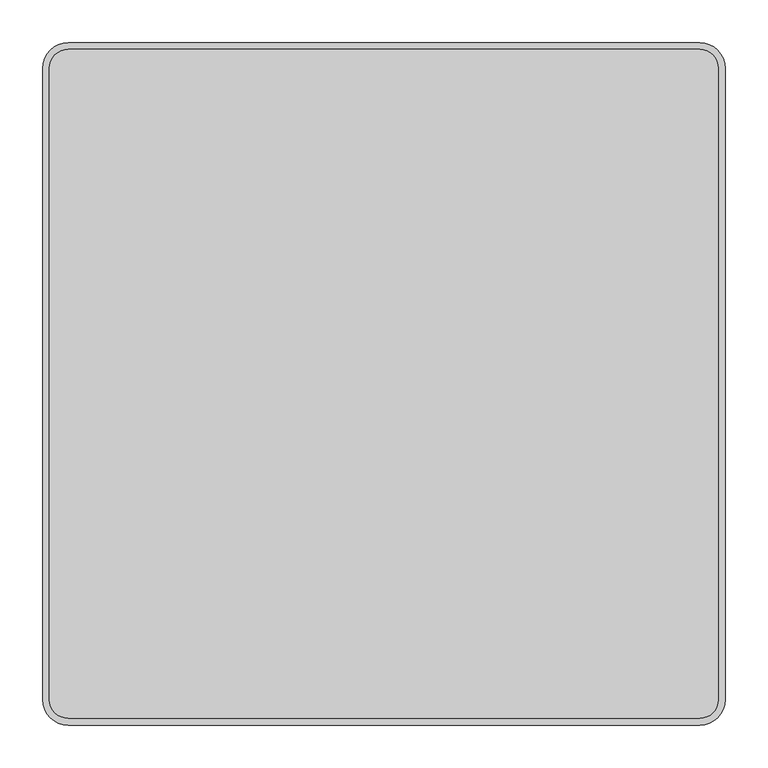
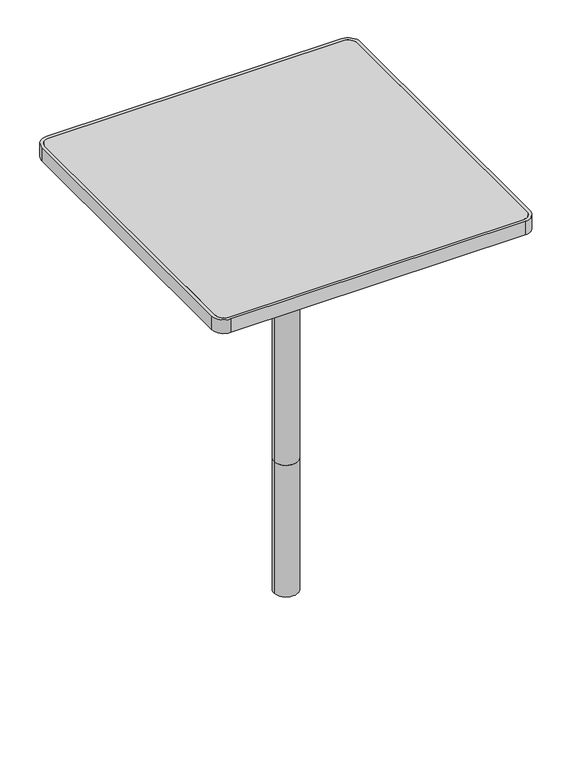
"""IFC4 building model written with IfcOpenShell, lengths in millimetres: furniture geometry."""

from ifc_helpers import new_model, si_unit, point, frame, frame_2d, origin, origin_with_axes, place, context, project, spatial, polyline, circle_curve, trimmed, segment, composite_curve, outline, extrude, source, transform, mapped, element, save


def furniture_51bb37ca(model_context):
    return source(origin(), model_context, "Body", "SweptSolid", [
        extrude(outline(composite_curve([segment(trimmed(circle_curve(frame_2d((-370.0, 370.0)), 22.0), [point((-392.0, 370.0))], [point((-370.0, 392.0))], False, "CARTESIAN"), True, "CONTINUOUS"), segment(polyline([(-370.0, 392.0), (370.0, 392.0)]), True, "CONTINUOUS"), segment(trimmed(circle_curve(frame_2d((370.0, 370.0)), 22.0), [point((370.0, 392.0))], [point((392.0, 370.0))], False, "CARTESIAN"), True, "CONTINUOUS"), segment(polyline([(392.0, 370.0), (392.0, -370.0)]), True, "CONTINUOUS"), segment(trimmed(circle_curve(frame_2d((370.0, -370.0)), 22.0), [point((392.0, -370.0))], [point((370.0, -392.0))], False, "CARTESIAN"), True, "CONTINUOUS"), segment(polyline([(370.0, -392.0), (-370.0, -392.0)]), True, "CONTINUOUS"), segment(trimmed(circle_curve(frame_2d((-370.0, -370.0)), 22.0), [point((-370.0, -392.0))], [point((-392.0, -370.0))], False, "CARTESIAN"), True, "CONTINUOUS"), segment(polyline([(-392.0, -370.0), (-392.0, 370.0)]), True, "CONTINUOUS")], self_intersect=False)), frame((0.0, 0.0, 737.0), z_axis=(0.0, 0.0, 1.0), x_axis=(1.0, 0.0, 0.0)), (0.0, 0.0, 1.0), 3.0),
        extrude(outline(composite_curve([segment(polyline([(-392.0, 55.0), (392.0, 55.0), (392.0, 15.0), (368.0, 15.0)]), True, "CONTINUOUS"), segment(trimmed(circle_curve(frame_2d((368.0, 9.0)), 6.0), [point((368.0, 15.0))], [point((362.0, 9.0))], True, "CARTESIAN"), True, "CONTINUOUS"), segment(polyline([(362.0, 9.0), (362.0, -9.0)]), True, "CONTINUOUS"), segment(trimmed(circle_curve(frame_2d((368.0, -9.0)), 6.0), [point((362.0, -9.0))], [point((368.0, -15.0))], True, "CARTESIAN"), True, "CONTINUOUS"), segment(polyline([(368.0, -15.0), (392.0, -15.0), (392.0, -55.0), (-392.0, -55.0), (-392.0, -15.0), (-368.0, -15.0)]), True, "CONTINUOUS"), segment(trimmed(circle_curve(frame_2d((-368.0, -9.0)), 6.0), [point((-368.0, -15.0))], [point((-362.0, -9.0))], True, "CARTESIAN"), True, "CONTINUOUS"), segment(polyline([(-362.0, -9.0), (-362.0, 9.0)]), True, "CONTINUOUS"), segment(trimmed(circle_curve(frame_2d((-368.0, 9.0)), 6.0), [point((-362.0, 9.0))], [point((-368.0, 15.0))], True, "CARTESIAN"), True, "CONTINUOUS"), segment(polyline([(-368.0, 15.0), (-392.0, 15.0), (-392.0, 55.0)]), True, "CONTINUOUS")], self_intersect=False)), frame((0.0, 0.0, 712.0), z_axis=(0.0, 0.0, 1.0), x_axis=(1.0, 0.0, 0.0)), (0.0, 0.0, 1.0), 8.0),
        extrude(outline(composite_curve([segment(polyline([(-400.0, -370.0), (-400.0, 370.0)]), True, "CONTINUOUS"), segment(trimmed(circle_curve(frame_2d((-370.0, 370.0)), 30.0), [point((-400.0, 370.0))], [point((-370.0, 400.0))], False, "CARTESIAN"), True, "CONTINUOUS"), segment(polyline([(-370.0, 400.0), (370.0, 400.0)]), True, "CONTINUOUS"), segment(trimmed(circle_curve(frame_2d((370.0, 370.0)), 30.0), [point((370.0, 400.0))], [point((400.0, 370.0))], False, "CARTESIAN"), True, "CONTINUOUS"), segment(polyline([(400.0, 370.0), (400.0, -370.0)]), True, "CONTINUOUS"), segment(trimmed(circle_curve(frame_2d((370.0, -370.0)), 30.0), [point((400.0, -370.0))], [point((370.0, -400.0))], False, "CARTESIAN"), True, "CONTINUOUS"), segment(polyline([(370.0, -400.0), (-370.0, -400.0)]), True, "CONTINUOUS"), segment(trimmed(circle_curve(frame_2d((-370.0, -370.0)), 30.0), [point((-370.0, -400.0))], [point((-400.0, -370.0))], False, "CARTESIAN"), True, "CONTINUOUS")], self_intersect=False), holes=[composite_curve([segment(polyline([(-392.0, 370.0), (-392.0, -370.0)]), True, "CONTINUOUS"), segment(trimmed(circle_curve(frame_2d((-370.0, -370.0)), 22.0), [point((-392.0, -370.0))], [point((-370.0, -392.0))], True, "CARTESIAN"), True, "CONTINUOUS"), segment(polyline([(-370.0, -392.0), (370.0, -392.0)]), True, "CONTINUOUS"), segment(trimmed(circle_curve(frame_2d((370.0, -370.0)), 22.0), [point((370.0, -392.0))], [point((392.0, -370.0))], True, "CARTESIAN"), True, "CONTINUOUS"), segment(polyline([(392.0, -370.0), (392.0, 370.0)]), True, "CONTINUOUS"), segment(trimmed(circle_curve(frame_2d((370.0, 370.0)), 22.0), [point((392.0, 370.0))], [point((370.0, 392.0))], True, "CARTESIAN"), True, "CONTINUOUS"), segment(polyline([(370.0, 392.0), (-370.0, 392.0)]), True, "CONTINUOUS"), segment(trimmed(circle_curve(frame_2d((-370.0, 370.0)), 22.0), [point((-370.0, 392.0))], [point((-392.0, 370.0))], True, "CARTESIAN"), True, "CONTINUOUS")], self_intersect=False)]), frame((0.0, 0.0, 704.0), z_axis=(0.0, 0.0, 1.0), x_axis=(1.0, 0.0, 0.0)), (0.0, 0.0, 1.0), 36.0),
        extrude(outline(composite_curve([segment(trimmed(circle_curve(frame_2d((0.0, -0.0376502)), 30.0), [point((-30.0, -0.0376502))], [point((30.0, -0.0376502))], False, "CARTESIAN"), True, "CONTINUOUS"), segment(trimmed(circle_curve(frame_2d((0.0, -0.0376502)), 30.0), [point((30.0, -0.0376502))], [point((-30.0, -0.0376502))], False, "CARTESIAN"), True, "CONTINUOUS")], self_intersect=False)), origin_with_axes(), (0.0, 0.0, 1.0), 712.0),
        extrude(outline(composite_curve([segment(trimmed(circle_curve(frame_2d((0.0, -0.0376502)), 30.0), [point((-30.0, -0.0376502))], [point((30.0, -0.0376502))], False, "CARTESIAN"), True, "CONTINUOUS"), segment(trimmed(circle_curve(frame_2d((0.0, -0.0376502)), 30.0), [point((30.0, -0.0376502))], [point((-30.0, -0.0376502))], False, "CARTESIAN"), True, "CONTINUOUS")], self_intersect=False)), frame((0.0, 0.0, -350.0), z_axis=(0.0, 0.0, 1.0), x_axis=(1.0, 0.0, 0.0)), (0.0, 0.0, 1.0), 350.0),
    ])


if __name__ == "__main__":
    model = new_model("IFC4")
    model_context = context("Model", 3, world=origin())
    ifc_project = project(units=[si_unit("LENGTHUNIT", "METRE", prefix="MILLI")], contexts=[model_context])
    site = spatial("IfcSite", under=ifc_project)
    building = spatial("IfcBuilding", under=site)
    placement = place(None, origin())
    furniture_shape = furniture_51bb37ca(model_context)
    element("IfcFurniture", 1, at=placement, inside=building, context=model_context, shape_type="MappedRepresentation", body=[
        mapped(furniture_shape, transform((0.0, 0.0, 0.0), x_axis=(1.0, 0.0, 0.0), y_axis=(0.0, 1.0, 0.0), z_axis=(0.0, 0.0, 1.0))),
    ])
    save(model, "model.ifc")
